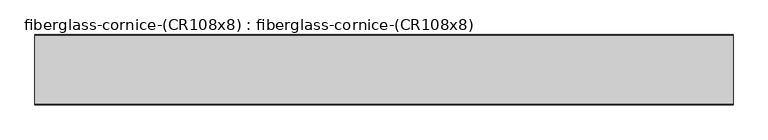
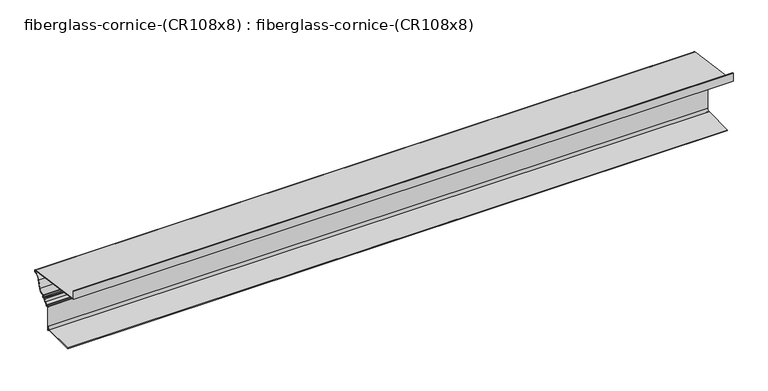
"""IFC4 building model written with IfcOpenShell, lengths in millimetres: furniture geometry, fiberglass-cornice-(CR108x8) : fiberglass-cornice-(CR108x8)."""

from ifc_helpers import new_model, si_unit, frame, origin, place, context, project, spatial, polyline, circle_curve, source, transform, mapped, element, save
from ifc_brep_helpers import plane_surface, cylinder_surface, revolved_surface, advanced_brep


def fiberglass_cornice_cr108x8_fiberglass_cornice_cr108x8_44c6815b(model_context):
    return source(origin(), model_context, "Body", "AdvancedBrep", [
        advanced_brep(
        [(2012.9498044, 105.0923553, 330.0957121), (2012.9498044, 101.6, 330.1999904), (2012.9498044, 101.6, 276.415322), (2012.9498044, 502.3849709, 220.0886338), (2012.9498044, 502.679357, 211.5566345), (2012.9498044, 468.2379543, 180.5686863), (2012.9498044, 455.0157476, 134.6498182), (2012.9498044, 421.9999188, 112.67881), (2012.9498044, 419.7868645, 110.7988824), (2012.9498044, 419.7867599, 102.0161337), (2012.9498044, 415.337725, 97.6016261), (2012.9498044, 407.3174683, 97.6016261), (2012.9498044, 405.4178055, 95.5527593), (2012.9498044, 397.3521528, 82.2643918), (2012.9498044, 386.0299801, 70.2497063), (2012.9498044, 381.8565071, 67.343045), (2012.9498044, 371.7935768, 67.343045), (2012.9498044, 369.8887204, 65.4380439), (2012.9498044, 369.8886124, -59.5215493), (2012.9498044, 355.9187204, -73.4366185), (2012.9498044, 161.8765083, -73.4366185), (2012.9498044, 161.8765083, -76.9291185), (2012.9498044, 358.6889184, -76.9291185), (2012.9498044, 367.9263679, -83.7006969), (2012.9498044, 370.6001006, -86.0324059), (2012.9498044, 373.3812204, -82.8819323), (2012.9498044, 373.3814446, 60.7132738), (2012.9498044, 376.5607546, 63.8505407), (2012.9498044, 385.4478088, 63.8505407), (2012.9498044, 388.5612513, 66.4029603), (2012.9498044, 398.7407101, 79.0597575), (2012.9498044, 408.6723568, 91.5065503), (2012.9498044, 411.7992574, 94.1091217), (2012.9498044, 420.1043335, 94.1091217), (2012.9498044, 423.2793645, 97.2841241), (2012.9498044, 423.2795921, 105.5911434), (2012.9498044, 426.4767098, 108.8040813), (2012.9498044, 458.3935877, 133.7587686), (2012.9498044, 471.5845049, 179.5693198), (2012.9498044, 505.4875065, 208.4851622), (2012.9498044, 508.2228546, 211.6295749), (2012.9498044, 508.2228867, 220.0517394), (2012.9498044, 505.8077248, 223.1344666), (2012.9498044, 105.0923553, 279.4513144), (-2012.9498044, 105.0923553, 330.0957121), (-2012.9498044, 105.0923553, 279.4513144), (-2012.9498044, 505.8077248, 223.1344666), (-2012.9498044, 508.2228546, 220.0517369), (-2012.9498044, 508.2228867, 211.6295733), (-2012.9498044, 505.4875065, 208.4851622), (-2012.9498044, 471.5845049, 179.5693198), (-2012.9498044, 458.3935877, 133.7587686), (-2012.9498044, 426.4767098, 108.8040813), (-2012.9498044, 423.2795921, 105.5911434), (-2012.9498044, 423.2795921, 97.284127), (-2012.9498044, 420.1043645, 94.1091241), (-2012.9498044, 411.7992574, 94.1091217), (-2012.9498044, 408.6723568, 91.5065503), (-2012.9498044, 398.7407101, 79.0597575), (-2012.9498044, 388.5612513, 66.4029603), (-2012.9498044, 385.4478907, 63.8505439), (-2012.9498044, 376.5607546, 63.8505407), (-2012.9498044, 373.3814446, 60.7132738), (-2012.9498044, 373.3814446, -82.8819321), (-2012.9498044, 370.6001006, -86.0324059), (-2012.9498044, 367.9263679, -83.7006969), (-2012.9498044, 358.6889184, -76.9291185), (-2012.9498044, 161.8765083, -76.9291185), (-2012.9498044, 161.8765083, -73.4366185), (-2012.9498044, 355.9187204, -73.4366185), (-2012.9498044, 369.8886124, -59.5215493), (-2012.9498044, 369.8886124, 65.4380508), (-2012.9498044, 371.7937204, 67.3430439), (-2012.9498044, 381.8565071, 67.343045), (-2012.9498044, 386.0299801, 70.2497063), (-2012.9498044, 397.3521528, 82.2643918), (-2012.9498044, 405.4178055, 95.5527593), (-2012.9498044, 407.3173654, 97.6016241), (-2012.9498044, 415.337725, 97.6016261), (-2012.9498044, 419.7867599, 102.0161337), (-2012.9498044, 419.7867599, 110.7988842), (-2012.9498044, 421.9999188, 112.67881), (-2012.9498044, 455.0157476, 134.6498182), (-2012.9498044, 468.2379543, 180.5686863), (-2012.9498044, 502.679357, 211.5566345), (-2012.9498044, 502.3849709, 220.0886338), (-2012.9498044, 101.6, 276.415322), (-2012.9498044, 101.6, 330.1999904)],
        [
            (0, 1),
            (1, 2),
            (2, 3),
            (3, 4, circle_curve(frame((2012.9498044, 501.8196187, 215.7980486), z_axis=(-1.0, 0.0, 0.0), x_axis=(0.0, 1.0, 0.0)), 4.3276719)),
            (4, 5, circle_curve(frame((2012.9498044, 511.2292262, 167.4200865), z_axis=(1.0, 0.0, 0.0), x_axis=(0.0, 1.0, 0.0)), 44.9570366)),
            (5, 6),
            (6, 7, circle_curve(frame((2012.9498044, 426.7061127, 141.3987567), z_axis=(-1.0, 0.0, 0.0), x_axis=(0.0, 1.0, 0.0)), 29.1029827)),
            (7, 8, circle_curve(frame((2012.9498044, 421.6918645, 110.7988824), z_axis=(1.0, 0.0, 0.0), x_axis=(0.0, 1.0, 0.0)), 1.905)),
            (8, 9),
            (9, 10, circle_curve(frame((2012.9498044, 415.3418645, 102.0466241), z_axis=(-1.0, 0.0, 0.0), x_axis=(0.0, 1.0, 0.0)), 4.445)),
            (10, 11),
            (11, 12, circle_curve(frame((2012.9498044, 407.3173654, 95.6966241), z_axis=(1.0, 0.0, 0.0), x_axis=(0.0, 1.0, 0.0)), 1.905)),
            (12, 13, circle_curve(frame((2012.9498044, 392.1002409, 94.5441417), z_axis=(-1.0, 0.0, 0.0), x_axis=(0.0, 1.0, 0.0)), 13.3557042)),
            (13, 14, circle_curve(frame((2012.9498044, 405.8075943, 62.9541819), z_axis=(1.0, 0.0, 0.0), x_axis=(0.0, 1.0, 0.0)), 21.0802917)),
            (14, 15, circle_curve(frame((2012.9498044, 381.8596633, 71.7880439), z_axis=(-1.0, 0.0, 0.0), x_axis=(0.0, 1.0, 0.0)), 4.445)),
            (15, 16),
            (16, 17, circle_curve(frame((2012.9498044, 371.7937204, 65.4380439), z_axis=(1.0, 0.0, 0.0), x_axis=(0.0, 1.0, 0.0)), 1.905)),
            (17, 18),
            (18, 19, circle_curve(frame((2012.9498044, 355.9187204, -59.4666185), z_axis=(-1.0, 0.0, 0.0), x_axis=(0.0, 1.0, 0.0)), 13.97)),
            (19, 20),
            (20, 21),
            (21, 22),
            (22, 23, circle_curve(frame((2012.9498044, 359.0984109, -86.0569323), z_axis=(-1.0, 0.0, 0.0), x_axis=(0.0, 1.0, 0.0)), 9.1369946)),
            (23, 24, circle_curve(frame((2012.9498044, 370.9939809, -82.8819323), z_axis=(1.0, 0.0, 0.0), x_axis=(0.0, 1.0, 0.0)), 3.175)),
            (24, 25, circle_curve(frame((2012.9498044, 370.2062204, -82.8819323), z_axis=(1.0, 0.0, 0.0), x_axis=(0.0, 1.0, 0.0)), 3.175)),
            (25, 26),
            (26, 27, circle_curve(frame((2012.9498044, 376.5562204, 60.6755439), z_axis=(-1.0, 0.0, 0.0), x_axis=(0.0, 1.0, 0.0)), 3.175)),
            (27, 28),
            (28, 29, circle_curve(frame((2012.9498044, 385.4478907, 67.0255439), z_axis=(1.0, 0.0, 0.0), x_axis=(0.0, 1.0, 0.0)), 3.175)),
            (29, 30, circle_curve(frame((2012.9498044, 405.8075943, 62.9541819), z_axis=(-1.0, 0.0, 0.0), x_axis=(0.0, 1.0, 0.0)), 17.5877917)),
            (30, 31, circle_curve(frame((2012.9498044, 392.1002409, 94.5441417), z_axis=(1.0, 0.0, 0.0), x_axis=(0.0, 1.0, 0.0)), 16.8482042)),
            (31, 32, circle_curve(frame((2012.9498044, 411.7953286, 90.9341241), z_axis=(-1.0, 0.0, 0.0), x_axis=(0.0, 1.0, 0.0)), 3.175)),
            (32, 33),
            (33, 34, circle_curve(frame((2012.9498044, 420.1043645, 97.2841241), z_axis=(1.0, 0.0, 0.0), x_axis=(0.0, 1.0, 0.0)), 3.175)),
            (34, 35),
            (35, 36, circle_curve(frame((2012.9498044, 426.4543645, 105.6291599), z_axis=(-1.0, 0.0, 0.0), x_axis=(0.0, 1.0, 0.0)), 3.175)),
            (36, 37, circle_curve(frame((2012.9498044, 426.7061127, 141.3987567), z_axis=(1.0, 0.0, 0.0), x_axis=(0.0, 1.0, 0.0)), 32.5954827)),
            (37, 38),
            (38, 39, circle_curve(frame((2012.9498044, 511.2292262, 167.4200865), z_axis=(-1.0, 0.0, 0.0), x_axis=(0.0, 1.0, 0.0)), 41.4645366)),
            (39, 40, circle_curve(frame((2012.9498044, 505.0478546, 211.6295749), z_axis=(1.0, 0.0, 0.0), x_axis=(0.0, 1.0, 0.0)), 3.175)),
            (40, 41),
            (41, 42, circle_curve(frame((2012.9498044, 505.0478546, 220.0517369), z_axis=(1.0, 0.0, 0.0), x_axis=(0.0, 1.0, 0.0)), 3.175)),
            (42, 43),
            (43, 0),
            (44, 45),
            (45, 46),
            (46, 47, circle_curve(frame((-2012.9498044, 505.0478546, 220.0517369), z_axis=(-1.0, 0.0, 0.0), x_axis=(0.0, 1.0, 0.0)), 3.175)),
            (47, 48),
            (48, 49, circle_curve(frame((-2012.9498044, 505.0478546, 211.6295749), z_axis=(-1.0, 0.0, 0.0), x_axis=(0.0, 1.0, 0.0)), 3.175)),
            (49, 50, circle_curve(frame((-2012.9498044, 511.2292262, 167.4200865), z_axis=(1.0, 0.0, 0.0), x_axis=(0.0, 1.0, 0.0)), 41.4645366)),
            (50, 51),
            (51, 52, circle_curve(frame((-2012.9498044, 426.7061127, 141.3987567), z_axis=(-1.0, 0.0, 0.0), x_axis=(0.0, 1.0, 0.0)), 32.5954827)),
            (52, 53, circle_curve(frame((-2012.9498044, 426.4543645, 105.6291599), z_axis=(1.0, 0.0, 0.0), x_axis=(0.0, 1.0, 0.0)), 3.175)),
            (53, 54),
            (54, 55, circle_curve(frame((-2012.9498044, 420.1043645, 97.2841241), z_axis=(-1.0, 0.0, 0.0), x_axis=(0.0, 1.0, 0.0)), 3.175)),
            (55, 56),
            (56, 57, circle_curve(frame((-2012.9498044, 411.7953286, 90.9341241), z_axis=(1.0, 0.0, 0.0), x_axis=(0.0, 1.0, 0.0)), 3.175)),
            (57, 58, circle_curve(frame((-2012.9498044, 392.1002409, 94.5441417), z_axis=(-1.0, 0.0, 0.0), x_axis=(0.0, 1.0, 0.0)), 16.8482042)),
            (58, 59, circle_curve(frame((-2012.9498044, 405.8075943, 62.9541819), z_axis=(1.0, 0.0, 0.0), x_axis=(0.0, 1.0, 0.0)), 17.5877917)),
            (59, 60, circle_curve(frame((-2012.9498044, 385.4478907, 67.0255439), z_axis=(-1.0, 0.0, 0.0), x_axis=(0.0, 1.0, 0.0)), 3.175)),
            (60, 61),
            (61, 62, circle_curve(frame((-2012.9498044, 376.5562204, 60.6755439), z_axis=(1.0, 0.0, 0.0), x_axis=(0.0, 1.0, 0.0)), 3.175)),
            (62, 63),
            (63, 64, circle_curve(frame((-2012.9498044, 370.2062204, -82.8819323), z_axis=(-1.0, 0.0, 0.0), x_axis=(0.0, 1.0, 0.0)), 3.175)),
            (64, 65, circle_curve(frame((-2012.9498044, 370.9939809, -82.8819323), z_axis=(-1.0, 0.0, 0.0), x_axis=(0.0, 1.0, 0.0)), 3.175)),
            (65, 66, circle_curve(frame((-2012.9498044, 359.0984109, -86.0569323), z_axis=(1.0, 0.0, 0.0), x_axis=(0.0, 1.0, 0.0)), 9.1369946)),
            (66, 67),
            (67, 68),
            (68, 69),
            (69, 70, circle_curve(frame((-2012.9498044, 355.9187204, -59.4666185), z_axis=(1.0, 0.0, 0.0), x_axis=(0.0, 1.0, 0.0)), 13.97)),
            (70, 71),
            (71, 72, circle_curve(frame((-2012.9498044, 371.7937204, 65.4380439), z_axis=(-1.0, 0.0, 0.0), x_axis=(0.0, 1.0, 0.0)), 1.905)),
            (72, 73),
            (73, 74, circle_curve(frame((-2012.9498044, 381.8596633, 71.7880439), z_axis=(1.0, 0.0, 0.0), x_axis=(0.0, 1.0, 0.0)), 4.445)),
            (74, 75, circle_curve(frame((-2012.9498044, 405.8075943, 62.9541819), z_axis=(-1.0, 0.0, 0.0), x_axis=(0.0, 1.0, 0.0)), 21.0802917)),
            (75, 76, circle_curve(frame((-2012.9498044, 392.1002409, 94.5441417), z_axis=(1.0, 0.0, 0.0), x_axis=(0.0, 1.0, 0.0)), 13.3557042)),
            (76, 77, circle_curve(frame((-2012.9498044, 407.3173654, 95.6966241), z_axis=(-1.0, 0.0, 0.0), x_axis=(0.0, 1.0, 0.0)), 1.905)),
            (77, 78),
            (78, 79, circle_curve(frame((-2012.9498044, 415.3418645, 102.0466241), z_axis=(1.0, 0.0, 0.0), x_axis=(0.0, 1.0, 0.0)), 4.445)),
            (79, 80),
            (80, 81, circle_curve(frame((-2012.9498044, 421.6918645, 110.7988824), z_axis=(-1.0, 0.0, 0.0), x_axis=(0.0, 1.0, 0.0)), 1.905)),
            (81, 82, circle_curve(frame((-2012.9498044, 426.7061127, 141.3987567), z_axis=(1.0, 0.0, 0.0), x_axis=(0.0, 1.0, 0.0)), 29.1029827)),
            (82, 83),
            (83, 84, circle_curve(frame((-2012.9498044, 511.2292262, 167.4200865), z_axis=(-1.0, 0.0, 0.0), x_axis=(0.0, 1.0, 0.0)), 44.9570366)),
            (84, 85, circle_curve(frame((-2012.9498044, 501.8196187, 215.7980486), z_axis=(1.0, 0.0, 0.0), x_axis=(0.0, 1.0, 0.0)), 4.3276719)),
            (85, 86),
            (86, 87),
            (87, 44),
            (0, 44),
            (87, 1),
            (86, 2),
            (85, 3),
            (84, 4),
            (83, 5),
            (82, 6),
            (81, 7),
            (80, 8),
            (79, 9),
            (78, 10),
            (77, 11),
            (76, 12),
            (75, 13),
            (74, 14),
            (73, 15),
            (72, 16),
            (71, 17),
            (70, 18),
            (69, 19),
            (68, 20),
            (67, 21),
            (66, 22),
            (65, 23),
            (64, 24),
            (63, 25),
            (62, 26),
            (61, 27),
            (60, 28),
            (59, 29),
            (58, 30),
            (57, 31),
            (56, 32),
            (55, 33),
            (54, 34),
            (53, 35),
            (52, 36),
            (51, 37),
            (50, 38),
            (49, 39),
            (48, 40),
            (47, 41),
            (46, 42),
            (45, 43),
        ],
        [
            plane_surface(frame((2012.9498044, 101.6, 330.1999904), z_axis=(1.0, 0.0, 0.0), x_axis=(0.0, 0.0, 1.0))),
            plane_surface(frame((-2012.9498044, 101.6, 330.1999904), z_axis=(-1.0, 0.0, 0.0), x_axis=(0.0, 0.0, 1.0))),
            plane_surface(frame((2012.9498044, 105.0923553, 330.0957121), z_axis=(0.0, 0.029845723440047666, 0.9995545171686936), x_axis=(-1.0, 0.0, 0.0))),
            plane_surface(frame((2012.9498044, 101.6, 330.1999904), z_axis=(0.0, -1.0, 0.0), x_axis=(-1.0, 0.0, 0.0))),
            plane_surface(frame((2012.9498044, 101.6, 276.415322), z_axis=(0.0, -0.13917318298142234, -0.9902680572142168), x_axis=(-1.0, 0.0, 0.0))),
            revolved_surface(polyline([(-2012.9498044, 506.14729059999996, 215.7980486), (2012.9498044, 506.14729059999996, 215.7980486)]), (2012.9498044, 501.8196187, 215.7980486), (-1.0, 0.0, 0.0)),
            cylinder_surface(frame((2012.9498044, 511.2292262, 167.4200865), z_axis=(1.0, 0.0, 0.0), x_axis=(0.0, 1.0, 0.0)), 44.9570366),
            plane_surface(frame((2012.9498044, 468.2379543, 180.5686863), z_axis=(0.0, -0.960955120051551, 0.27670427760826033), x_axis=(-1.0, 0.0, 0.0))),
            revolved_surface(polyline([(-2012.9498044, 455.8090954, 141.3987567), (2012.9498044, 455.8090954, 141.3987567)]), (2012.9498044, 426.7061127, 141.3987567), (-1.0, 0.0, 0.0)),
            cylinder_surface(frame((2012.9498044, 421.6918645, 110.7988824), z_axis=(1.0, 0.0, 0.0), x_axis=(0.0, 1.0, 0.0)), 1.905),
            plane_surface(frame((2012.9498044, 419.7867599, 110.7988842), z_axis=(0.0, -1.0, 0.0), x_axis=(-1.0, 0.0, 0.0))),
            revolved_surface(polyline([(-2012.9498044, 419.7868645, 102.0466241), (2012.9498044, 419.7868645, 102.0466241)]), (2012.9498044, 415.3418645, 102.0466241), (-1.0, 0.0, 0.0)),
            plane_surface(frame((2012.9498044, 415.337725, 97.6016261), z_axis=(0.0, 0.0, 1.0), x_axis=(-1.0, 0.0, 0.0))),
            cylinder_surface(frame((2012.9498044, 407.3173654, 95.6966241), z_axis=(1.0, 0.0, 0.0), x_axis=(0.0, 1.0, 0.0)), 1.905),
            revolved_surface(polyline([(-2012.9498044, 405.4559451, 94.5441417), (2012.9498044, 405.4559451, 94.5441417)]), (2012.9498044, 392.1002409, 94.5441417), (-1.0, 0.0, 0.0)),
            cylinder_surface(frame((2012.9498044, 405.8075943, 62.9541819), z_axis=(1.0, 0.0, 0.0), x_axis=(0.0, 1.0, 0.0)), 21.0802917),
            revolved_surface(polyline([(-2012.9498044, 386.3046633, 71.7880439), (2012.9498044, 386.3046633, 71.7880439)]), (2012.9498044, 381.8596633, 71.7880439), (-1.0, 0.0, 0.0)),
            plane_surface(frame((2012.9498044, 381.8565071, 67.343045), z_axis=(0.0, 0.0, 1.0), x_axis=(-1.0, 0.0, 0.0))),
            cylinder_surface(frame((2012.9498044, 371.7937204, 65.4380439), z_axis=(1.0, 0.0, 0.0), x_axis=(0.0, 1.0, 0.0)), 1.905),
            plane_surface(frame((2012.9498044, 369.8886124, 65.4380508), z_axis=(0.0, -1.0, 0.0), x_axis=(-1.0, 0.0, 0.0))),
            revolved_surface(polyline([(-2012.9498044, 369.8887204, -59.4666185), (2012.9498044, 369.8887204, -59.4666185)]), (2012.9498044, 355.9187204, -59.4666185), (-1.0, 0.0, 0.0)),
            plane_surface(frame((2012.9498044, 355.9187204, -73.4366185), z_axis=(0.0, 0.0, 1.0), x_axis=(-1.0, 0.0, 0.0))),
            plane_surface(frame((2012.9498044, 161.8765083, -73.4366185), z_axis=(0.0, -1.0, 0.0), x_axis=(-1.0, 0.0, 0.0))),
            plane_surface(frame((2012.9498044, 161.8765083, -76.9291185), z_axis=(0.0, 0.0, -1.0), x_axis=(-1.0, 0.0, 0.0))),
            revolved_surface(polyline([(-2012.9498044, 368.23540549999996, -86.0569323), (2012.9498044, 368.23540549999996, -86.0569323)]), (2012.9498044, 359.0984109, -86.0569323), (-1.0, 0.0, 0.0)),
            cylinder_surface(frame((2012.9498044, 370.9939809, -82.8819323), z_axis=(1.0, 0.0, 0.0), x_axis=(0.0, 1.0, 0.0)), 3.175),
            cylinder_surface(frame((2012.9498044, 370.2062204, -82.8819323), z_axis=(1.0, 0.0, 0.0), x_axis=(0.0, 1.0, 0.0)), 3.175),
            plane_surface(frame((2012.9498044, 373.3814446, -82.8819321), z_axis=(0.0, 1.0, 0.0), x_axis=(-1.0, 0.0, 0.0))),
            revolved_surface(polyline([(-2012.9498044, 379.7312204, 60.6755439), (2012.9498044, 379.7312204, 60.6755439)]), (2012.9498044, 376.5562204, 60.6755439), (-1.0, 0.0, 0.0)),
            plane_surface(frame((2012.9498044, 376.5607546, 63.8505407), z_axis=(0.0, 0.0, -1.0), x_axis=(-1.0, 0.0, 0.0))),
            cylinder_surface(frame((2012.9498044, 385.4478907, 67.0255439), z_axis=(1.0, 0.0, 0.0), x_axis=(0.0, 1.0, 0.0)), 3.175),
            revolved_surface(polyline([(-2012.9498044, 423.39538600000003, 62.9541819), (2012.9498044, 423.39538600000003, 62.9541819)]), (2012.9498044, 405.8075943, 62.9541819), (-1.0, 0.0, 0.0)),
            cylinder_surface(frame((2012.9498044, 392.1002409, 94.5441417), z_axis=(1.0, 0.0, 0.0), x_axis=(0.0, 1.0, 0.0)), 16.8482042),
            revolved_surface(polyline([(-2012.9498044, 414.9703286, 90.9341241), (2012.9498044, 414.9703286, 90.9341241)]), (2012.9498044, 411.7953286, 90.9341241), (-1.0, 0.0, 0.0)),
            plane_surface(frame((2012.9498044, 411.7992574, 94.1091217), z_axis=(0.0, 0.0, -1.0), x_axis=(-1.0, 0.0, 0.0))),
            cylinder_surface(frame((2012.9498044, 420.1043645, 97.2841241), z_axis=(1.0, 0.0, 0.0), x_axis=(0.0, 1.0, 0.0)), 3.175),
            plane_surface(frame((2012.9498044, 423.2795921, 97.284127), z_axis=(0.0, 1.0, 0.0), x_axis=(-1.0, 0.0, 0.0))),
            revolved_surface(polyline([(-2012.9498044, 429.6293645, 105.6291599), (2012.9498044, 429.6293645, 105.6291599)]), (2012.9498044, 426.4543645, 105.6291599), (-1.0, 0.0, 0.0)),
            cylinder_surface(frame((2012.9498044, 426.7061127, 141.3987567), z_axis=(1.0, 0.0, 0.0), x_axis=(0.0, 1.0, 0.0)), 32.5954827),
            plane_surface(frame((2012.9498044, 458.3935877, 133.7587686), z_axis=(0.0, 0.960955677207526, -0.27670234267643123), x_axis=(-1.0, 0.0, 0.0))),
            revolved_surface(polyline([(-2012.9498044, 552.6937628000001, 167.4200865), (2012.9498044, 552.6937628000001, 167.4200865)]), (2012.9498044, 511.2292262, 167.4200865), (-1.0, 0.0, 0.0)),
            cylinder_surface(frame((2012.9498044, 505.0478546, 211.6295749), z_axis=(1.0, 0.0, 0.0), x_axis=(0.0, 1.0, 0.0)), 3.175),
            plane_surface(frame((2012.9498044, 508.2228867, 211.6295733), z_axis=(0.0, 1.0, 0.0), x_axis=(-1.0, 0.0, 0.0))),
            cylinder_surface(frame((2012.9498044, 505.0478546, 220.0517369), z_axis=(1.0, 0.0, 0.0), x_axis=(0.0, 1.0, 0.0)), 3.175),
            plane_surface(frame((2012.9498044, 505.8077248, 223.1344666), z_axis=(0.0, 0.13917304094940405, 0.9902680771755169), x_axis=(-1.0, 0.0, 0.0))),
            plane_surface(frame((2012.9498044, 105.0923553, 279.4513144), z_axis=(0.0, 1.0, 0.0), x_axis=(-1.0, 0.0, 0.0))),
        ],
        [
            (0, [[1, 2, 3, 4, 5, 6, 7, 8, 9, 10, 11, 12, 13, 14, 15, 16, 17, 18, 19, 20, 21, 22, 23, 24, 25, 26, 27, 28, 29, 30, 31, 32, 33, 34, 35, 36, 37, 38, 39, 40, 41, 42, 43, 44]]),
            (1, [[45, 46, 47, 48, 49, 50, 51, 52, 53, 54, 55, 56, 57, 58, 59, 60, 61, 62, 63, 64, 65, 66, 67, 68, 69, 70, 71, 72, 73, 74, 75, 76, 77, 78, 79, 80, 81, 82, 83, 84, 85, 86, 87, 88]]),
            (2, [[-1, 89, -88, 90]]),
            (3, [[-2, -90, -87, 91]]),
            (4, [[-3, -91, -86, 92]]),
            (5, [[-4, -92, -85, 93]]),
            (6, [[-5, -93, -84, 94]]),
            (7, [[-6, -94, -83, 95]]),
            (8, [[-7, -95, -82, 96]]),
            (9, [[-8, -96, -81, 97]]),
            (10, [[-9, -97, -80, 98]]),
            (11, [[-10, -98, -79, 99]]),
            (12, [[-11, -99, -78, 100]]),
            (13, [[-12, -100, -77, 101]]),
            (14, [[-13, -101, -76, 102]]),
            (15, [[-14, -102, -75, 103]]),
            (16, [[-15, -103, -74, 104]]),
            (17, [[-16, -104, -73, 105]]),
            (18, [[-17, -105, -72, 106]]),
            (19, [[-18, -106, -71, 107]]),
            (20, [[-19, -107, -70, 108]]),
            (21, [[-20, -108, -69, 109]]),
            (22, [[-21, -109, -68, 110]]),
            (23, [[-22, -110, -67, 111]]),
            (24, [[-23, -111, -66, 112]]),
            (25, [[-24, -112, -65, 113]]),
            (26, [[-25, -113, -64, 114]]),
            (27, [[-26, -114, -63, 115]]),
            (28, [[-27, -115, -62, 116]]),
            (29, [[-28, -116, -61, 117]]),
            (30, [[-29, -117, -60, 118]]),
            (31, [[-30, -118, -59, 119]]),
            (32, [[-31, -119, -58, 120]]),
            (33, [[-32, -120, -57, 121]]),
            (34, [[-33, -121, -56, 122]]),
            (35, [[-34, -122, -55, 123]]),
            (36, [[-35, -123, -54, 124]]),
            (37, [[-36, -124, -53, 125]]),
            (38, [[-37, -125, -52, 126]]),
            (39, [[-38, -126, -51, 127]]),
            (40, [[-39, -127, -50, 128]]),
            (41, [[-40, -128, -49, 129]]),
            (42, [[-41, -129, -48, 130]]),
            (43, [[-42, -130, -47, 131]]),
            (44, [[-43, -131, -46, 132]]),
            (45, [[-44, -132, -45, -89]]),
        ],
    ),
    ])


if __name__ == "__main__":
    model = new_model("IFC4")
    model_context = context("Model", 3, world=origin())
    ifc_project = project(units=[si_unit("LENGTHUNIT", "METRE", prefix="MILLI")], contexts=[model_context])
    site = spatial("IfcSite", under=ifc_project)
    building = spatial("IfcBuilding", under=site)
    placement = place(None, origin())
    fiberglass_cornice_cr108x8_fiberglass_cornice_cr108x8_shape = fiberglass_cornice_cr108x8_fiberglass_cornice_cr108x8_44c6815b(model_context)
    element("IfcFurniture", 1, ObjectType="fiberglass-cornice-(CR108x8) : fiberglass-cornice-(CR108x8)", at=placement, inside=building, context=model_context, shape_type="MappedRepresentation", body=[
        mapped(fiberglass_cornice_cr108x8_fiberglass_cornice_cr108x8_shape, transform((0.0, 0.0, 0.0), x_axis=(1.0, 0.0, 0.0), y_axis=(0.0, 1.0, 0.0), z_axis=(0.0, 0.0, 1.0))),
    ])
    save(model, "model.ifc")
